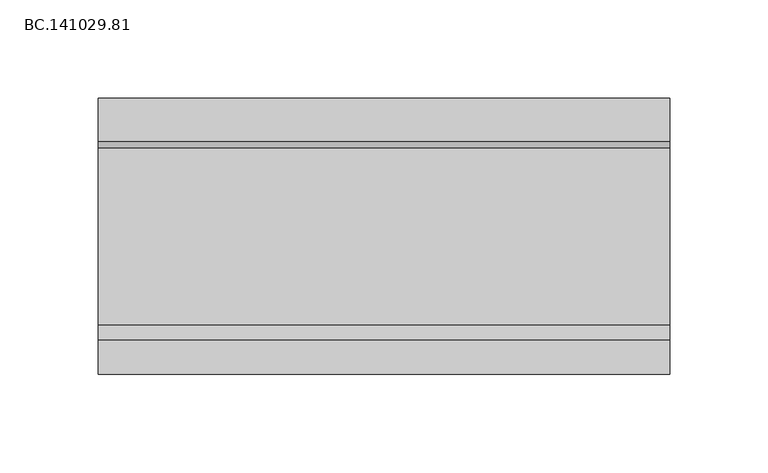
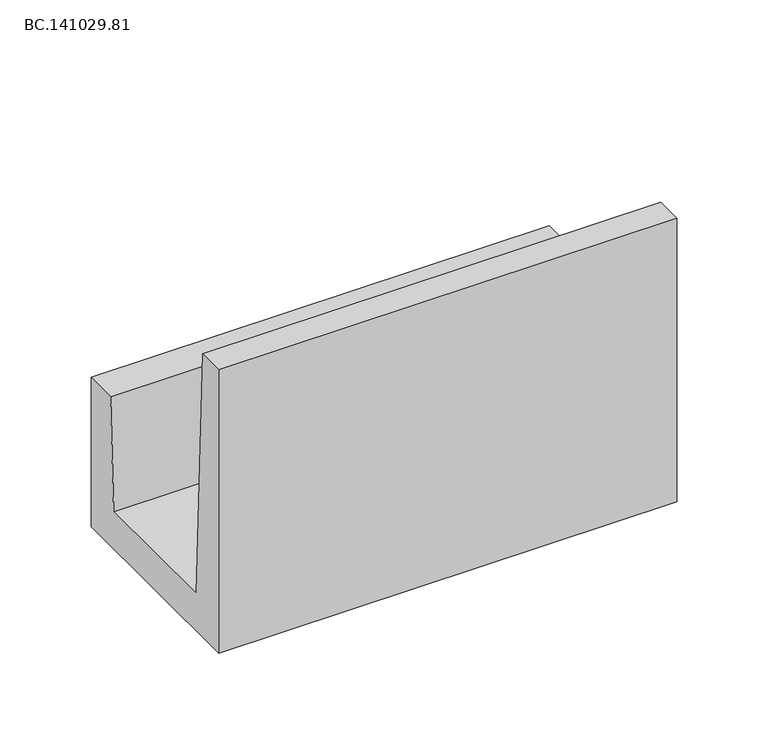
"""IFC4 building model written with IfcOpenShell, lengths in millimetres: proxy geometry, BC.141029.81."""

from ifc_helpers import new_model, si_unit, frame, origin, place, context, project, spatial, polyline, outline, extrude, source, transform, mapped, element, save


def bc_141029_81_edc56a90(model_context):
    return source(origin(), model_context, "Body", "SweptSolid", [
        extrude(outline(polyline([(70.0050293, 99.9938965), (70.0050293, 0.0), (-70.0050293, 0.0), (-70.0050293, 189.9977051), (-52.4923553, 189.9977051), (-45.0019043, 25.003125), (45.0019043, 25.003125), (48.4063477, 99.9938965), (70.0050293, 99.9938965)])), frame((5.0, 0.0, 0.0), z_axis=(1.0, 0.0, 0.0), x_axis=(0.0, 1.0, 0.0)), (0.0, 0.0, 1.0), 290.0),
    ])


if __name__ == "__main__":
    model = new_model("IFC4")
    model_context = context("Model", 3, world=origin())
    ifc_project = project(units=[si_unit("LENGTHUNIT", "METRE", prefix="MILLI")], contexts=[model_context])
    site = spatial("IfcSite", under=ifc_project)
    building = spatial("IfcBuilding", under=site)
    placement = place(None, origin())
    bc_141029_81_shape = bc_141029_81_edc56a90(model_context)
    element("IfcBuildingElementProxy", 1, Name="BC.141029.81", ObjectType="BC.141029.81", at=placement, inside=building, context=model_context, shape_type="MappedRepresentation", body=[
        mapped(bc_141029_81_shape, transform((0.0, 0.0, 0.0), x_axis=(1.0, 0.0, 0.0), y_axis=(0.0, 1.0, 0.0), z_axis=(0.0, 0.0, 1.0))),
    ])
    save(model, "model.ifc")
